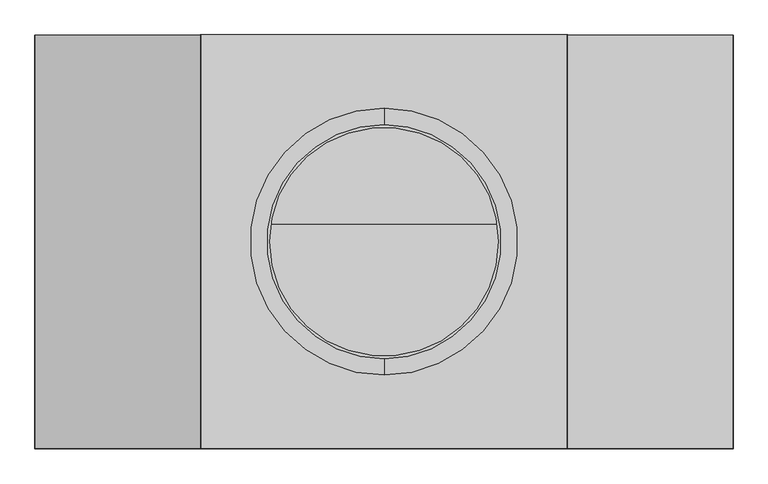
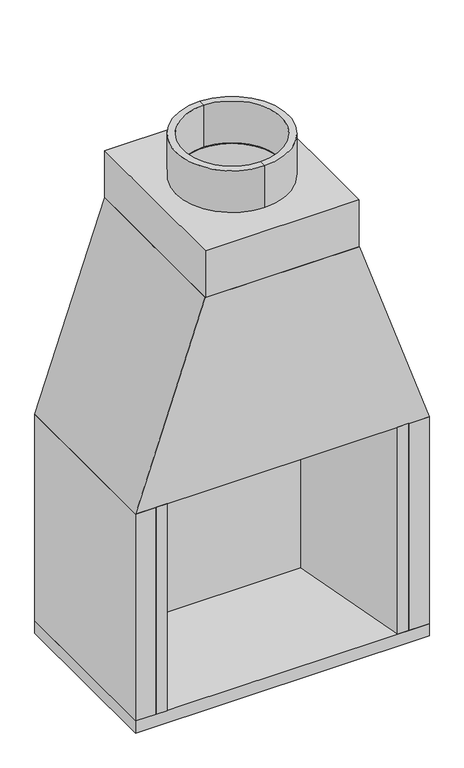
"""IFC4 building model written with IfcOpenShell, lengths in millimetres: proxy geometry."""

from ifc_helpers import new_model, si_unit, point, frame, frame_2d, origin, place, context, project, spatial, polyline, circle_curve, trimmed, segment, composite_curve, outline, extrude, faceted_brep, source, transform, mapped, element, save
from ifc_brep_helpers import plane_surface, cylinder_surface, revolved_surface, advanced_brep


def generic_models_d661cf5f(model_context):
    return source(origin(), model_context, "Body", "SolidModel", [
        extrude(outline(polyline([(380.6732873, 517.525), (469.9, 0.0), (428.8243557, 0.0), (344.4875, 478.060628), (344.4875, 517.525), (380.6732873, 517.525)])), frame((0.0, 0.0, 317.5), z_axis=(0.0, 0.0, 1.0), x_axis=(1.0, 0.0, 0.0)), (0.0, 0.0, 1.0), 812.8),
        extrude(outline(polyline([(1231.9, 435.2539749), (1231.9, 344.4875), (1130.3, 344.4875), (1130.3, 469.9), (1231.9, 435.2539749)])), frame((0.0, 101.6, 0.0), z_axis=(0.0, 1.0, 0.0), x_axis=(0.0, 0.0, 1.0)), (0.0, 0.0, 1.0), 415.925),
        extrude(outline(polyline([(517.525, 807.1493866), (517.525, 317.5), (478.060628, 317.5), (478.060628, 809.2453313), (426.5915139, 1130.3), (465.360628, 1130.3), (517.525, 807.1493866)])), frame((-344.4875, 0.0, 0.0), z_axis=(1.0, 0.0, 0.0), x_axis=(0.0, 1.0, 0.0)), (0.0, 0.0, 1.0), 688.975),
        extrude(outline(polyline([(-380.6732873, 517.525), (-344.4875, 517.525), (-344.4875, 478.060628), (-428.8243557, 0.0), (-469.9, 0.0), (-380.6732873, 517.525)])), frame((0.0, 0.0, 317.5), z_axis=(0.0, 0.0, 1.0), x_axis=(1.0, 0.0, 0.0)), (0.0, 0.0, 1.0), 812.8),
        advanced_brep(
        [(0.0, 140.334022, 2073.275), (0.0, 507.365978, 2073.275), (0.0, 507.365978, 2236.9948904), (0.0, 140.334022, 2236.9948904), (0.0, 114.934022, 2073.275), (0.0, 532.765978, 2073.275), (0.0, 114.934022, 2236.9948904), (0.0, 532.765978, 2236.9948904)],
        [
            (0, 1, circle_curve(frame((0.0, 323.85, 2073.275), z_axis=(0.0, 0.0, -1.0), x_axis=(0.0, 1.0, 0.0)), 183.515978)),
            (1, 2),
            (2, 3, circle_curve(frame((0.0, 323.85, 2236.9948904), z_axis=(0.0, 0.0, 1.0), x_axis=(0.0, 1.0, 0.0)), 183.515978)),
            (3, 0),
            (1, 0, circle_curve(frame((0.0, 323.85, 2073.275), z_axis=(0.0, 0.0, -1.0), x_axis=(0.0, 1.0, 0.0)), 183.515978)),
            (3, 2, circle_curve(frame((0.0, 323.85, 2236.9948904), z_axis=(0.0, 0.0, 1.0), x_axis=(0.0, 1.0, 0.0)), 183.515978)),
            (4, 5, circle_curve(frame((0.0, 323.85, 2073.275), z_axis=(0.0, 0.0, -1.0), x_axis=(0.0, 1.0, 0.0)), 208.915978)),
            (5, 1),
            (0, 4),
            (5, 4, circle_curve(frame((0.0, 323.85, 2073.275), z_axis=(0.0, 0.0, -1.0), x_axis=(0.0, 1.0, 0.0)), 208.915978)),
            (6, 7, circle_curve(frame((0.0, 323.85, 2236.9948904), z_axis=(0.0, 0.0, -1.0), x_axis=(0.0, 1.0, 0.0)), 208.915978)),
            (7, 5),
            (4, 6),
            (7, 6, circle_curve(frame((0.0, 323.85, 2236.9948904), z_axis=(0.0, 0.0, -1.0), x_axis=(0.0, 1.0, 0.0)), 208.915978)),
            (2, 7),
            (6, 3),
        ],
        [
            revolved_surface(polyline([(0.0, 507.36597800000004, 2236.9948904), (0.0, 507.36597800000004, 2073.275)]), (0.0, 323.85, 5908.675), (0.0, 0.0, 1.0)),
            plane_surface(frame((0.0, 323.85, 2073.275), z_axis=(0.0, 0.0, -1.0), x_axis=(0.0, 1.0, 0.0))),
            cylinder_surface(frame((0.0, 323.85, 5908.675), z_axis=(0.0, 0.0, 1.0), x_axis=(0.0, 1.0, 0.0)), 208.915978),
            plane_surface(frame((0.0, 323.85, 2236.9948904), z_axis=(0.0, 0.0, 1.0), x_axis=(0.0, 1.0, 0.0))),
        ],
        [
            (0, [[1, 2, 3, 4]]),
            (0, [[5, -4, 6, -2]]),
            (1, [[7, 8, -1, 9]]),
            (1, [[10, -9, -5, -8]]),
            (2, [[11, 12, -7, 13]]),
            (2, [[14, -13, -10, -12]]),
            (3, [[-3, 15, -11, 16]]),
            (3, [[-6, -16, -14, -15]]),
        ],
    ),
        extrude(outline(polyline([(1231.9, -435.2539749), (1130.3, -469.9), (1130.3, -344.4875), (1231.9, -344.4875), (1231.9, -435.2539749)])), frame((0.0, 101.6, 0.0), z_axis=(0.0, 1.0, 0.0), x_axis=(0.0, 0.0, 1.0)), (0.0, 0.0, 1.0), 415.925),
        extrude(outline(polyline([(383.1092126, 1130.3), (351.3592126, 1231.9), (517.525, 1231.9), (517.525, 1130.3), (383.1092126, 1130.3)])), frame((-435.6100431, 0.0, 0.0), z_axis=(1.0, 0.0, 0.0), x_axis=(0.0, 1.0, 0.0)), (0.0, 0.0, 1.0), 871.2200862),
        extrude(outline(polyline([(517.525, 1130.3), (517.525, 807.1493866), (465.360628, 1130.3), (517.525, 1130.3)])), frame((-344.4875, 0.0, 0.0), z_axis=(1.0, 0.0, 0.0), x_axis=(0.0, 1.0, 0.0)), (0.0, 0.0, 1.0), 688.975),
        faceted_brep([(-287.3375, 0.0, 1889.125), (-546.1, 0.0, 1130.3), (546.1, 0.0, 1130.3), (287.3375, 0.0, 1889.125), (-287.3375, 647.7, 1889.125), (287.3375, 647.7, 1889.125), (546.1, 647.7, 1130.3), (-546.1, 647.7, 1130.3), (-469.693051, 101.6, 1130.3), (471.0786961, 101.6, 1130.3), (471.0786961, 517.525, 1130.3), (-469.693051, 517.525, 1130.3), (212.3161961, 101.6, 1889.125), (-210.930551, 101.6, 1889.125), (-210.930551, 517.525, 1889.125), (212.3161961, 517.525, 1889.125)], [[[0, 1, 2, 3]], [[4, 5, 6, 7]], [[1, 0, 4, 7]], [[2, 1, 7, 6], [8, 9, 10, 11]], [[3, 2, 6, 5]], [[0, 3, 5, 4], [12, 13, 14, 15]], [[12, 9, 8, 13]], [[14, 11, 10, 15]], [[13, 8, 11, 14]], [[9, 12, 15, 10]]]),
        extrude(outline(polyline([(285.75, 0.0), (-285.75, 0.0), (-285.75, 647.7), (285.75, 647.7), (285.75, 0.0)]), holes=[composite_curve([segment(trimmed(circle_curve(frame_2d((0.0, 323.85)), 178.976606), [point((-178.976606, 323.85))], [point((178.976606, 323.85))], True, "CARTESIAN"), True, "CONTINUOUS"), segment(trimmed(circle_curve(frame_2d((0.0, 323.85)), 178.976606), [point((178.976606, 323.85))], [point((-178.976606, 323.85))], True, "CARTESIAN"), True, "CONTINUOUS")], self_intersect=False)]), frame((0.0, 0.0, 1889.125), z_axis=(0.0, 0.0, 1.0), x_axis=(1.0, 0.0, 0.0)), (0.0, 0.0, 1.0), 184.15),
        extrude(outline(polyline([(-469.9, 0.0), (-546.1, 0.0), (-546.1, 647.7), (546.1, 647.7), (546.1, 0.0), (469.9, 0.0), (469.9, 517.525), (-469.9, 517.525), (-469.9, 0.0)])), frame((0.0, 0.0, 317.5), z_axis=(0.0, 0.0, 1.0), x_axis=(1.0, 0.0, 0.0)), (0.0, 0.0, 1.0), 812.8),
        extrude(outline(polyline([(546.1, 0.0), (-546.1, 0.0), (-546.1, 647.7), (546.1, 647.7), (546.1, 0.0)])), frame((0.0, 0.0, 269.875), z_axis=(0.0, 0.0, 1.0), x_axis=(1.0, 0.0, 0.0)), (0.0, 0.0, 1.0), 47.625),
    ])


if __name__ == "__main__":
    model = new_model("IFC4")
    model_context = context("Model", 3, world=origin())
    ifc_project = project(units=[si_unit("LENGTHUNIT", "METRE", prefix="MILLI")], contexts=[model_context])
    site = spatial("IfcSite", under=ifc_project)
    building = spatial("IfcBuilding", under=site)
    placement = place(None, origin())
    generic_models_shape = generic_models_d661cf5f(model_context)
    element("IfcBuildingElementProxy", 1, Name="Generic Models", at=placement, inside=building, context=model_context, shape_type="MappedRepresentation", body=[
        mapped(generic_models_shape, transform((0.0, 0.0, 0.0), x_axis=(1.0, 0.0, 0.0), y_axis=(0.0, 1.0, 0.0), z_axis=(0.0, 0.0, 1.0))),
    ])
    save(model, "model.ifc")
